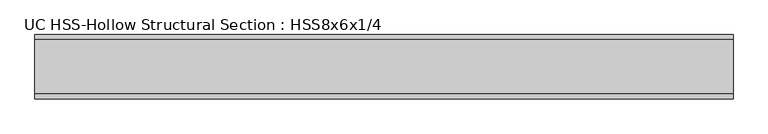
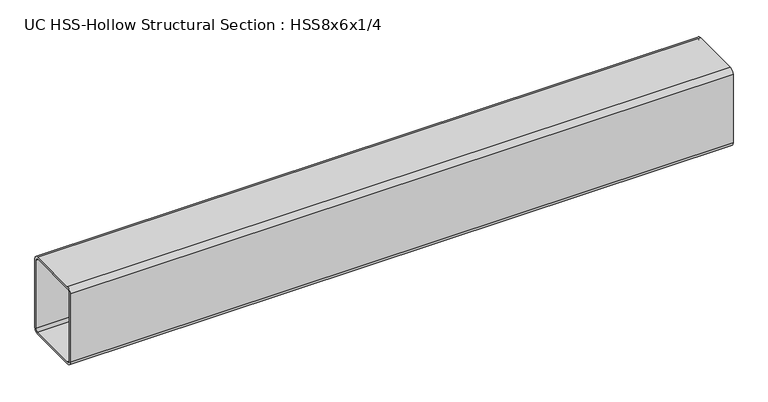
"""IFC4 building model written with IfcOpenShell, lengths in millimetres: beam geometry, UC HSS-Hollow Structural Section : HSS8x6x1/4."""

from ifc_helpers import new_model, si_unit, point, frame, frame_2d, origin, place, context, project, spatial, polyline, circle_curve, trimmed, segment, composite_curve, outline, extrude, source, transform, mapped, element, save


def uc_hss_hollow_structural_section_hss8x6x1_4_96948c00(model_context):
    return source(origin(), model_context, "Body", "SweptSolid", [
        extrude(outline(composite_curve([segment(trimmed(circle_curve(frame_2d((-64.3636, 89.7636)), 11.8364), [point((-76.2, 89.7636))], [point((-64.3636, 101.6))], False, "CARTESIAN"), True, "CONTINUOUS"), segment(polyline([(-64.3636, 101.6), (64.3636, 101.6)]), True, "CONTINUOUS"), segment(trimmed(circle_curve(frame_2d((64.3636, 89.7636)), 11.8364), [point((64.3636, 101.6))], [point((76.2, 89.7636))], False, "CARTESIAN"), True, "CONTINUOUS"), segment(polyline([(76.2, 89.7636), (76.2, -89.7636)]), True, "CONTINUOUS"), segment(trimmed(circle_curve(frame_2d((64.3636, -89.7636)), 11.8364), [point((76.2, -89.7636))], [point((64.3636, -101.6))], False, "CARTESIAN"), True, "CONTINUOUS"), segment(polyline([(64.3636, -101.6), (-64.3636, -101.6)]), True, "CONTINUOUS"), segment(trimmed(circle_curve(frame_2d((-64.3636, -89.7636)), 11.8364), [point((-64.3636, -101.6))], [point((-76.2, -89.7636))], False, "CARTESIAN"), True, "CONTINUOUS"), segment(polyline([(-76.2, -89.7636), (-76.2, 89.7636)]), True, "CONTINUOUS")], self_intersect=False), holes=[composite_curve([segment(polyline([(64.3636, 95.6818), (-64.3636, 95.6818)]), True, "CONTINUOUS"), segment(trimmed(circle_curve(frame_2d((-64.3636, 89.7636)), 5.9182), [point((-64.3636, 95.6818))], [point((-70.2818, 89.7636))], True, "CARTESIAN"), True, "CONTINUOUS"), segment(polyline([(-70.2818, 89.7636), (-70.2818, -89.7636)]), True, "CONTINUOUS"), segment(trimmed(circle_curve(frame_2d((-64.3636, -89.7636)), 5.9182), [point((-70.2818, -89.7636))], [point((-64.3636, -95.6818))], True, "CARTESIAN"), True, "CONTINUOUS"), segment(polyline([(-64.3636, -95.6818), (64.3636, -95.6818)]), True, "CONTINUOUS"), segment(trimmed(circle_curve(frame_2d((64.3636, -89.7636)), 5.9182), [point((64.3636, -95.6818))], [point((70.2818, -89.7636))], True, "CARTESIAN"), True, "CONTINUOUS"), segment(polyline([(70.2818, -89.7636), (70.2818, 89.7636)]), True, "CONTINUOUS"), segment(trimmed(circle_curve(frame_2d((64.3636, 89.7636)), 5.9182), [point((70.2818, 89.7636))], [point((64.3636, 95.6818))], True, "CARTESIAN"), True, "CONTINUOUS")], self_intersect=False)]), frame((-456.707498, 0.0, 0.0), z_axis=(1.0, 0.0, 0.0), x_axis=(0.0, 1.0, 0.0)), (0.0, 0.0, 1.0), 1651.8550251),
    ])


if __name__ == "__main__":
    model = new_model("IFC4")
    model_context = context("Model", 3, world=origin())
    ifc_project = project(units=[si_unit("LENGTHUNIT", "METRE", prefix="MILLI")], contexts=[model_context])
    site = spatial("IfcSite", under=ifc_project)
    building = spatial("IfcBuilding", under=site)
    placement = place(None, origin())
    uc_hss_hollow_structural_section_hss8x6x1_4_shape = uc_hss_hollow_structural_section_hss8x6x1_4_96948c00(model_context)
    element("IfcBeam", 1, ObjectType="UC HSS-Hollow Structural Section : HSS8x6x1/4", at=placement, inside=building, context=model_context, shape_type="MappedRepresentation", body=[
        mapped(uc_hss_hollow_structural_section_hss8x6x1_4_shape, transform((0.0, 0.0, 0.0), x_axis=(1.0, 0.0, 0.0), y_axis=(0.0, 1.0, 0.0), z_axis=(0.0, 0.0, 1.0))),
    ])
    save(model, "model.ifc")
